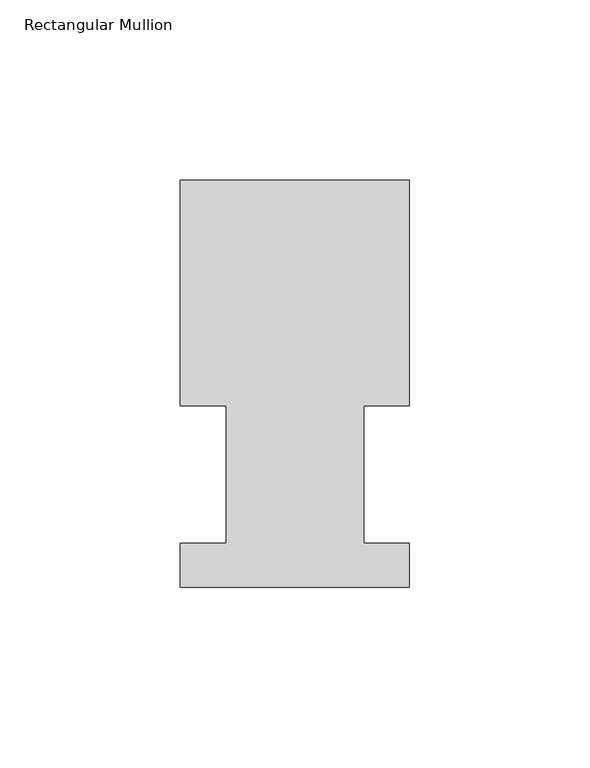
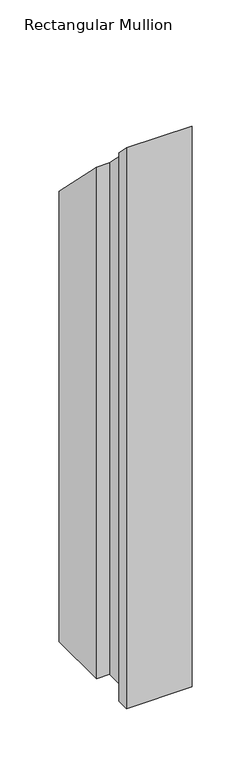
"""IFC4 building model written with IfcOpenShell, lengths in millimetres: member geometry, Rectangular Mullion."""

import ifcopenshell
import ifcopenshell.guid

model = None  # the IFC model being written
_history = None  # IfcOwnerHistory: only IFC2X3 demands one
_inside = {}  # id of a spatial element -> (the spatial element, [elements in it])
_under = {}  # id of a project, library or spatial element -> (it, [spatial elements below it])
_declared = {}  # id of a project -> (the project, [libraries it declares])
_typed = {}  # id of a type object -> (the type object, [elements of that type])
_made_of = {}  # id of a material, layer set ... -> (it, [elements and type objects made of it])


def new_model(schema):
    """Start an empty IFC model of exactly this schema.

    Asked for "IFC4X3", IfcOpenShell would pick the latest addendum, in which some entities
    have other attributes; the version numbers below select the first issue.
    IFC2X3 requires an IfcOwnerHistory on every rooted entity: one is made here for all.
    """
    global model, _history
    if schema == "IFC4X3":
        model = ifcopenshell.file(schema_version=(4, 3, 0, 0))
    else:
        model = ifcopenshell.file(schema=schema)
    _inside.clear()
    _under.clear()
    _declared.clear()
    _typed.clear()
    _made_of.clear()
    _history = None
    if model.schema == "IFC2X3":
        org = make("IfcOrganization", Name="unknown")
        user = make(
            "IfcPersonAndOrganization",
            ThePerson=make("IfcPerson", FamilyName="unknown"),
            TheOrganization=org,
        )
        app = make(
            "IfcApplication",
            ApplicationDeveloper=org,
            Version="unknown",
            ApplicationFullName="unknown",
            ApplicationIdentifier="unknown",
        )
        _history = make(
            "IfcOwnerHistory",
            OwningUser=user,
            OwningApplication=app,
            ChangeAction="ADDED",
            CreationDate=0,
        )
    return model


def make(cls, **values):
    """One entity of the class cls with the attributes given. An attribute that is None is left unset."""
    return model.create_entity(
        cls, **{name: value for name, value in values.items() if value is not None}
    )


def rooted(cls, **values):
    """An entity with a GlobalId (a new one), such as an element, a storey or a relation."""
    return make(cls, GlobalId=ifcopenshell.guid.new(), OwnerHistory=_history, **values)


def si_unit(unit_type, name, prefix=None):
    """IfcSIUnit, for example si_unit("LENGTHUNIT", "METRE", prefix="MILLI")."""
    return make("IfcSIUnit", UnitType=unit_type, Prefix=prefix, Name=name)


def assignment(units):
    """IfcUnitAssignment: the units of a project."""
    return None if units is None else make("IfcUnitAssignment", Units=units)


def point(xyz):
    """IfcCartesianPoint."""
    return None if xyz is None else make("IfcCartesianPoint", Coordinates=xyz)


def direction(xyz):
    """IfcDirection."""
    return None if xyz is None else make("IfcDirection", DirectionRatios=xyz)


def frame(location, z_axis=None, x_axis=None):
    """IfcAxis2Placement3D, a coordinate frame: its origin and axes. An axis left out is left unset."""
    return make(
        "IfcAxis2Placement3D",
        Location=point(location),
        Axis=direction(z_axis),
        RefDirection=direction(x_axis),
    )


def origin():
    """The frame at (0, 0, 0) with its axes left unset."""
    return frame((0.0, 0.0, 0.0))


def place(relative_to, where):
    """IfcLocalPlacement: puts the frame where relative to a parent placement (None: the world)."""
    return make(
        "IfcLocalPlacement", PlacementRelTo=relative_to, RelativePlacement=where
    )


def context(
    kind, dimensions, precision=None, world=None, true_north=None, identifier=None
):
    """IfcGeometricRepresentationContext, for example the 3D "Model" context."""
    return make(
        "IfcGeometricRepresentationContext",
        ContextIdentifier=identifier,
        ContextType=kind,
        CoordinateSpaceDimension=dimensions,
        Precision=precision,
        WorldCoordinateSystem=world,
        TrueNorth=true_north,
    )


def project(units=None, contexts=None):
    """IfcProject with its units and contexts."""
    return rooted(
        "IfcProject",
        Name="project",
        RepresentationContexts=contexts,
        UnitsInContext=assignment(units),
    )


def spatial(cls, under=None, at=None, **own):
    """A site, building, storey or space (cls), placed at a placement, below another one or the project."""
    s = rooted(cls, ObjectPlacement=at, **own)
    if under is not None:
        _under.setdefault(under.id(), (under, []))[1].append(s)
    return s


def faces_of(points, faces, orient=None, outer=None):
    """IfcFace entities. A face is a list of loops; a loop is a list of indices into points, from 0.

    orient and outer hold one flag for each loop. By default every Orientation is true, the
    first loop of a face is its IfcFaceOuterBound and the others are IfcFaceBound.
    """
    made = []
    for i, loops in enumerate(faces):
        bounds = []
        for j, loop in enumerate(loops):
            is_outer = j == 0 if outer is None else outer[i][j]
            bounds.append(
                make(
                    "IfcFaceOuterBound" if is_outer else "IfcFaceBound",
                    Bound=make("IfcPolyLoop", Polygon=[points[k] for k in loop]),
                    Orientation=True if orient is None else orient[i][j],
                )
            )
        made.append(make("IfcFace", Bounds=bounds))
    return made


def faceted_brep(points, faces, orient=None, outer=None, voids=None):
    """IfcFacetedBrep: a solid bounded by flat faces; with voids (closed shells), ...WithVoids."""
    shared = [point(p) for p in points]
    hull = make("IfcClosedShell", CfsFaces=faces_of(shared, faces, orient, outer))
    if voids is None:
        return make("IfcFacetedBrep", Outer=hull)
    return make(
        "IfcFacetedBrepWithVoids",
        Outer=hull,
        Voids=[
            make(cls, CfsFaces=faces_of(shared, fs, o, b)) for cls, fs, o, b in voids
        ],
    )


def shape(context_of_items, identifier, shape_type, items):
    """IfcShapeRepresentation: the items that make up one representation, for example the "Body"."""
    return make(
        "IfcShapeRepresentation",
        ContextOfItems=context_of_items,
        RepresentationIdentifier=identifier,
        RepresentationType=shape_type,
        Items=items,
    )


def source(mapping_origin, context_of_items, identifier, shape_type, items):
    """IfcRepresentationMap: a shape defined once, which mapped items show again and again."""
    return make(
        "IfcRepresentationMap",
        MappingOrigin=mapping_origin,
        MappedRepresentation=shape(context_of_items, identifier, shape_type, items),
    )


def transform(
    local_origin,
    x_axis=None,
    y_axis=None,
    z_axis=None,
    scale=None,
    scale2=None,
    scale3=None,
    uniform=True,
):
    """IfcCartesianTransformationOperator3D, or its non-uniform kind. x_axis, y_axis, z_axis: its Axis1, 2, 3."""
    if uniform:
        return make(
            "IfcCartesianTransformationOperator3D",
            Axis1=direction(x_axis),
            Axis2=direction(y_axis),
            LocalOrigin=point(local_origin),
            Scale=scale,
            Axis3=direction(z_axis),
        )
    return make(
        "IfcCartesianTransformationOperator3DnonUniform",
        Axis1=direction(x_axis),
        Axis2=direction(y_axis),
        LocalOrigin=point(local_origin),
        Scale=scale,
        Axis3=direction(z_axis),
        Scale2=scale2,
        Scale3=scale3,
    )


def mapped(mapping_source, mapping_target):
    """IfcMappedItem: shows the shape of a source again, moved by a transform."""
    return make(
        "IfcMappedItem", MappingSource=mapping_source, MappingTarget=mapping_target
    )


def made_of(thing, what):
    """Note that an element or type object is made of a material, layer set ...; save() writes the relation."""
    if what is not None:
        _made_of.setdefault(what.id(), (what, []))[1].append(thing)
    return thing


def element(
    cls,
    number,
    at=None,
    inside=None,
    cuts=None,
    type_object=None,
    material=None,
    context=None,
    identifier="Body",
    shape_type=None,
    held_by="IfcProductDefinitionShape",
    body=None,
    shapes=None,
    **own,
):
    """One element of the class cls, such as IfcWall. Its Tag is "e" and its number.

    at: its placement. inside: the storey or other place that contains it. cuts: it is an
    opening in that element (IfcRelVoidsElement). A single representation is given by context,
    identifier, shape_type and body (its items); several are given by shapes. held_by: the class
    of the entity that holds the representations. save() writes the other relations.
    """
    e = rooted(cls, Tag="e%d" % number, ObjectPlacement=at, **own)
    if body is not None:
        shapes = [shape(context, identifier, shape_type, body)]
    if shapes is not None:
        e.Representation = make(held_by, Representations=shapes)
    if inside is not None:
        _inside.setdefault(inside.id(), (inside, []))[1].append(e)
    if cuts is not None:
        rooted(
            "IfcRelVoidsElement", RelatingBuildingElement=cuts, RelatedOpeningElement=e
        )
    if type_object is not None:
        _typed.setdefault(type_object.id(), (type_object, []))[1].append(e)
    return made_of(e, material)


def aggregate(whole, parts):
    """IfcRelAggregates: a whole, such as a stair, and the parts it consists of."""
    return rooted("IfcRelAggregates", RelatingObject=whole, RelatedObjects=parts)


def save(model, path):
    """Write the relations noted so far, then the file.

    IfcRelAggregates (storeys below a building ...), IfcRelContainedInSpatialStructure (elements
    in a storey), IfcRelDefinesByType, IfcRelAssociatesMaterial and IfcRelDeclares: one each for
    every whole, place, type object, material and project.
    """
    for whole, parts in _under.values():
        aggregate(whole, parts)
    for where, things in _inside.values():
        rooted(
            "IfcRelContainedInSpatialStructure",
            RelatedElements=things,
            RelatingStructure=where,
        )
    for kind, things in _typed.values():
        rooted("IfcRelDefinesByType", RelatedObjects=things, RelatingType=kind)
    for what, things in _made_of.values():
        rooted("IfcRelAssociatesMaterial", RelatedObjects=things, RelatingMaterial=what)
    for by, libraries in _declared.values():
        rooted("IfcRelDeclares", RelatingContext=by, RelatedDefinitions=libraries)
    model.write(path)


def rectangular_mullion_50a1f61a(model_context):
    return source(origin(), model_context, "Body", "Brep", [
        faceted_brep([(-63.5368106, 52.5859375, -577.85), (-63.5368106, 115.0699375, -577.85), (0.0, 115.0699375, -577.85), (0.0, 52.5859375, -577.85), (-12.602764, 52.5859375, -577.85), (-12.602764, 14.4858895, -577.85), (0.0, 14.4858895, -577.85), (0.0, 2.1909696, -577.85), (-63.5, 2.1909696, -577.85), (-63.5, 14.4859413, -577.85), (-50.7405803, 14.4859413, -577.85), (-50.7405803, 52.5859375, -577.85), (-50.7405803, 52.5859375, -52.5859375), (-63.5368106, 52.5859375, -52.5859375), (-50.7405803, 14.4859413, -14.4859413), (-63.5, 14.4859413, -14.4859413), (-63.5, 2.1909696, -2.1909696), (0.0, 2.1909696, -2.1909696), (0.0, 14.4858895, -14.4858895), (-12.602764, 14.4858895, -14.4858895), (-12.602764, 52.5859375, -52.5859375), (0.0, 52.5859375, -52.5859375), (0.0, 115.0699375, -115.0699375), (-63.5368106, 115.0699375, -115.0699375)], [[[0, 1, 2, 3, 4, 5, 6, 7, 8, 9, 10, 11]], [[12, 13, 0, 11]], [[14, 12, 11, 10]], [[15, 14, 10, 9]], [[16, 15, 9, 8]], [[17, 16, 8, 7]], [[18, 17, 7, 6]], [[19, 18, 6, 5]], [[20, 19, 5, 4]], [[21, 20, 4, 3]], [[22, 21, 3, 2]], [[23, 22, 2, 1]], [[13, 23, 1, 0]], [[13, 12, 14, 15, 16, 17, 18, 19, 20, 21, 22, 23]]]),
    ])


if __name__ == "__main__":
    model = new_model("IFC4")
    model_context = context("Model", 3, world=origin())
    ifc_project = project(units=[si_unit("LENGTHUNIT", "METRE", prefix="MILLI")], contexts=[model_context])
    site = spatial("IfcSite", under=ifc_project)
    building = spatial("IfcBuilding", under=site)
    placement = place(None, origin())
    rectangular_mullion_shape = rectangular_mullion_50a1f61a(model_context)
    element("IfcMember", 1, ObjectType="Rectangular Mullion", at=placement, inside=building, context=model_context, shape_type="MappedRepresentation", body=[
        mapped(rectangular_mullion_shape, transform((0.0, 0.0, 0.0), x_axis=(1.0, 0.0, 0.0), y_axis=(0.0, 1.0, 0.0), z_axis=(0.0, 0.0, 1.0))),
    ])
    save(model, "model.ifc")
